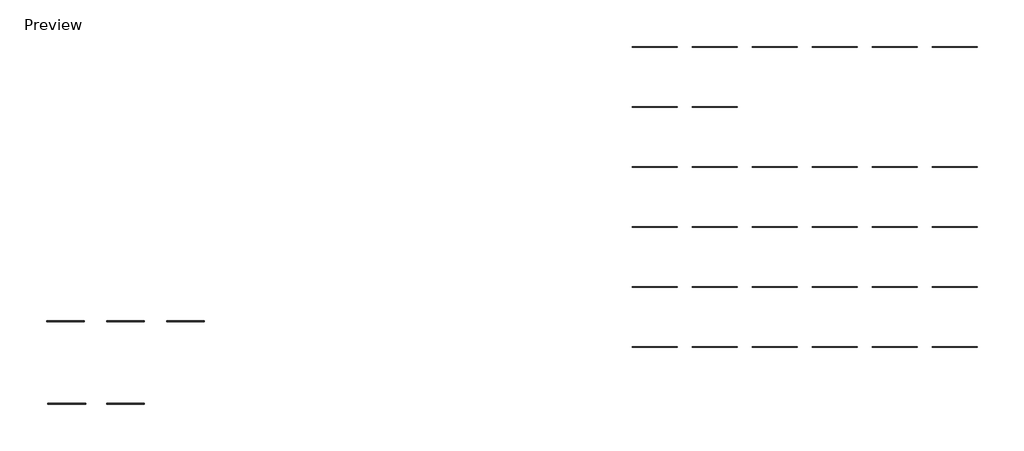
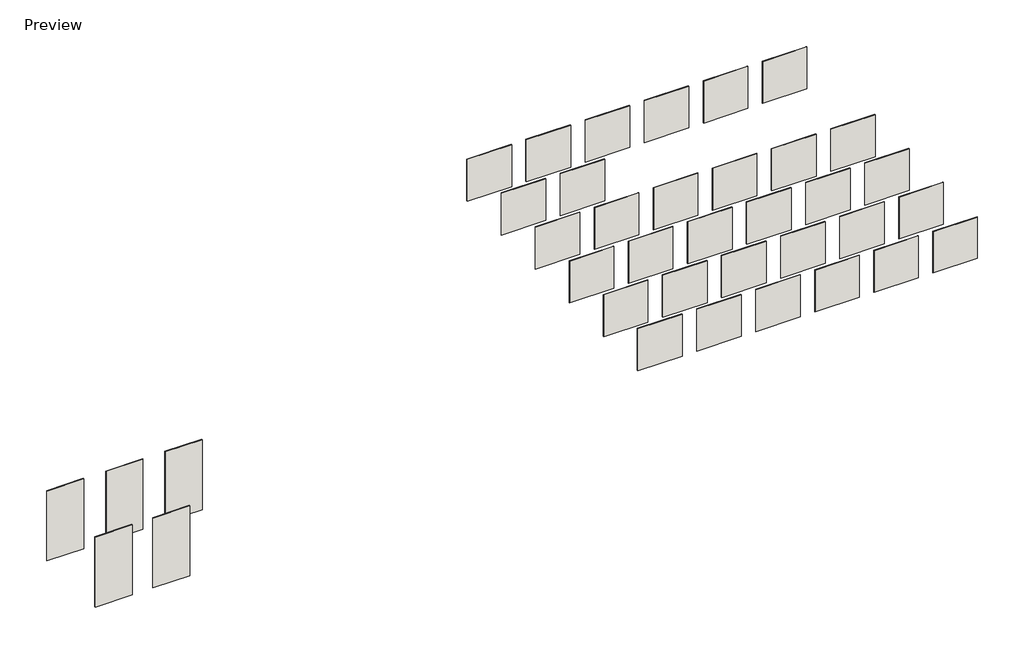
# One storey: 37 walls.
"""IFC4 building model written with IfcOpenShell, lengths in millimetres."""

from ifc_helpers import new_model, si_unit, frame, origin, origin_with_axes, place, context, project, spatial, polyline, outline, extrude, element, save

model = new_model("IFC4")

# Units and contexts
model_context = context("Model", 3, world=origin())
ifc_project = project(units=[si_unit("LENGTHUNIT", "METRE", prefix="MILLI")], contexts=[model_context])

# Site, building, storey
site = spatial("IfcSite", under=ifc_project)
building = spatial("IfcBuilding", under=site)
storey = spatial("IfcBuildingStorey", under=building, Name="Preview", Elevation=0.0)

# Walls
placement = place(None, origin())
element("IfcWall", 1, at=placement, inside=storey, context=model_context, shape_type="SweptSolid", body=[
    extrude(outline(polyline([(-18839.3718391, 8535.7201131), (-20668.1718391, 8535.7201131), (-20668.1718391, 8559.5326131), (-18839.3718391, 8559.5326131), (-18839.3718391, 8535.7201131)])), origin_with_axes(), (0.0, 0.0, 1.0), 1828.8),
])
element("IfcWall", 2, at=placement, inside=storey, context=model_context, shape_type="SweptSolid", body=[
    extrude(outline(polyline([(-16400.9718391, 8535.7201131), (-18229.7718391, 8535.7201131), (-18229.7718391, 8559.5326131), (-16400.9718391, 8559.5326131), (-16400.9718391, 8535.7201131)])), origin_with_axes(), (0.0, 0.0, 1.0), 1828.8),
])
element("IfcWall", 3, at=placement, inside=storey, context=model_context, shape_type="SweptSolid", body=[
    extrude(outline(polyline([(-13962.5718391, 8535.7201131), (-15791.3718391, 8535.7201131), (-15791.3718391, 8559.5326131), (-13962.5718391, 8559.5326131), (-13962.5718391, 8535.7201131)])), origin_with_axes(), (0.0, 0.0, 1.0), 1828.8),
])
element("IfcWall", 4, at=placement, inside=storey, context=model_context, shape_type="SweptSolid", body=[
    extrude(outline(polyline([(-11524.1718391, 8535.7201131), (-13352.9718391, 8535.7201131), (-13352.9718391, 8559.5326131), (-11524.1718391, 8559.5326131), (-11524.1718391, 8535.7201131)])), origin_with_axes(), (0.0, 0.0, 1.0), 1828.8),
])
element("IfcWall", 5, at=placement, inside=storey, context=model_context, shape_type="SweptSolid", body=[
    extrude(outline(polyline([(-9085.7718391, 8535.7201131), (-10914.5718391, 8535.7201131), (-10914.5718391, 8559.5326131), (-9085.7718391, 8559.5326131), (-9085.7718391, 8535.7201131)])), origin_with_axes(), (0.0, 0.0, 1.0), 1828.8),
])
element("IfcWall", 6, at=placement, inside=storey, context=model_context, shape_type="SweptSolid", body=[
    extrude(outline(polyline([(-6647.3718391, 8535.7201131), (-8476.1718391, 8535.7201131), (-8476.1718391, 8559.5326131), (-6647.3718391, 8559.5326131), (-6647.3718391, 8535.7201131)])), origin_with_axes(), (0.0, 0.0, 1.0), 1828.8),
])
element("IfcWall", 7, at=placement, inside=storey, context=model_context, shape_type="SweptSolid", body=[
    extrude(outline(polyline([(-18839.3718391, 6097.3201131), (-20668.1718391, 6097.3201131), (-20668.1718391, 6121.1326131), (-18839.3718391, 6121.1326131), (-18839.3718391, 6097.3201131)])), origin_with_axes(), (0.0, 0.0, 1.0), 1828.8),
])
element("IfcWall", 8, at=placement, inside=storey, context=model_context, shape_type="SweptSolid", body=[
    extrude(outline(polyline([(-16400.9718391, 6097.3201131), (-18229.7718391, 6097.3201131), (-18229.7718391, 6121.1326131), (-16400.9718391, 6121.1326131), (-16400.9718391, 6097.3201131)])), origin_with_axes(), (0.0, 0.0, 1.0), 1828.8),
])
element("IfcWall", 9, at=placement, inside=storey, context=model_context, shape_type="SweptSolid", body=[
    extrude(outline(polyline([(-13962.5718391, 6097.3201131), (-15791.3718391, 6097.3201131), (-15791.3718391, 6121.1326131), (-13962.5718391, 6121.1326131), (-13962.5718391, 6097.3201131)])), origin_with_axes(), (0.0, 0.0, 1.0), 1828.8),
])
element("IfcWall", 10, at=placement, inside=storey, context=model_context, shape_type="SweptSolid", body=[
    extrude(outline(polyline([(-11524.1718391, 6097.3201131), (-13352.9718391, 6097.3201131), (-13352.9718391, 6121.1326131), (-11524.1718391, 6121.1326131), (-11524.1718391, 6097.3201131)])), origin_with_axes(), (0.0, 0.0, 1.0), 1828.8),
])
element("IfcWall", 11, at=placement, inside=storey, context=model_context, shape_type="SweptSolid", body=[
    extrude(outline(polyline([(-9085.7718391, 6097.3201131), (-10914.5718391, 6097.3201131), (-10914.5718391, 6121.1326131), (-9085.7718391, 6121.1326131), (-9085.7718391, 6097.3201131)])), origin_with_axes(), (0.0, 0.0, 1.0), 1828.8),
])
element("IfcWall", 12, at=placement, inside=storey, context=model_context, shape_type="SweptSolid", body=[
    extrude(outline(polyline([(-6647.3718391, 6097.3201131), (-8476.1718391, 6097.3201131), (-8476.1718391, 6121.1326131), (-6647.3718391, 6121.1326131), (-6647.3718391, 6097.3201131)])), origin_with_axes(), (0.0, 0.0, 1.0), 1793.6354952),
])
element("IfcWall", 13, at=placement, inside=storey, context=model_context, shape_type="SweptSolid", body=[
    extrude(outline(polyline([(-18839.3718391, 10974.1201131), (-20668.1718391, 10974.1201131), (-20668.1718391, 10997.9326131), (-18839.3718391, 10997.9326131), (-18839.3718391, 10974.1201131)])), origin_with_axes(), (0.0, 0.0, 1.0), 1828.8),
])
element("IfcWall", 14, at=placement, inside=storey, context=model_context, shape_type="SweptSolid", body=[
    extrude(outline(polyline([(-16400.9718391, 10974.1201131), (-18229.7718391, 10974.1201131), (-18229.7718391, 10997.9326131), (-16400.9718391, 10997.9326131), (-16400.9718391, 10974.1201131)])), origin_with_axes(), (0.0, 0.0, 1.0), 1828.8),
])
element("IfcWall", 15, at=placement, inside=storey, context=model_context, shape_type="SweptSolid", body=[
    extrude(outline(polyline([(-13962.5718391, 10974.1201131), (-15791.3718391, 10974.1201131), (-15791.3718391, 10997.9326131), (-13962.5718391, 10997.9326131), (-13962.5718391, 10974.1201131)])), origin_with_axes(), (0.0, 0.0, 1.0), 1828.8),
])
element("IfcWall", 16, at=placement, inside=storey, context=model_context, shape_type="SweptSolid", body=[
    extrude(outline(polyline([(-11524.1718391, 10974.1201131), (-13352.9718391, 10974.1201131), (-13352.9718391, 10997.9326131), (-11524.1718391, 10997.9326131), (-11524.1718391, 10974.1201131)])), origin_with_axes(), (0.0, 0.0, 1.0), 1828.8),
])
element("IfcWall", 17, at=placement, inside=storey, context=model_context, shape_type="SweptSolid", body=[
    extrude(outline(polyline([(-9085.7718391, 10974.1201131), (-10914.5718391, 10974.1201131), (-10914.5718391, 10997.9326131), (-9085.7718391, 10997.9326131), (-9085.7718391, 10974.1201131)])), origin_with_axes(), (0.0, 0.0, 1.0), 1828.8),
])
element("IfcWall", 18, at=placement, inside=storey, context=model_context, shape_type="SweptSolid", body=[
    extrude(outline(polyline([(-6647.3718391, 10974.1201131), (-8476.1718391, 10974.1201131), (-8476.1718391, 10997.9326131), (-6647.3718391, 10997.9326131), (-6647.3718391, 10974.1201131)])), origin_with_axes(), (0.0, 0.0, 1.0), 1828.8),
])
element("IfcWall", 19, at=placement, inside=storey, context=model_context, shape_type="SweptSolid", body=[
    extrude(outline(polyline([(-18839.3718391, 13412.5201131), (-20668.1718391, 13412.5201131), (-20668.1718391, 13436.3326131), (-18839.3718391, 13436.3326131), (-18839.3718391, 13412.5201131)])), origin_with_axes(), (0.0, 0.0, 1.0), 1828.8),
])
element("IfcWall", 20, at=placement, inside=storey, context=model_context, shape_type="SweptSolid", body=[
    extrude(outline(polyline([(-16400.9718391, 13412.5201131), (-18229.7718391, 13412.5201131), (-18229.7718391, 13436.3326131), (-16400.9718391, 13436.3326131), (-16400.9718391, 13412.5201131)])), origin_with_axes(), (0.0, 0.0, 1.0), 1828.8),
])
element("IfcWall", 21, at=placement, inside=storey, context=model_context, shape_type="SweptSolid", body=[
    extrude(outline(polyline([(-13962.5718391, 13412.5201131), (-15791.3718391, 13412.5201131), (-15791.3718391, 13436.3326131), (-13962.5718391, 13436.3326131), (-13962.5718391, 13412.5201131)])), origin_with_axes(), (0.0, 0.0, 1.0), 1828.8),
])
element("IfcWall", 22, at=placement, inside=storey, context=model_context, shape_type="SweptSolid", body=[
    extrude(outline(polyline([(-11524.1718391, 13412.5201131), (-13352.9718391, 13412.5201131), (-13352.9718391, 13436.3326131), (-11524.1718391, 13436.3326131), (-11524.1718391, 13412.5201131)])), frame((0.0, 0.0, -5.2424975), z_axis=(0.0, 0.0, 1.0), x_axis=(1.0, 0.0, 0.0)), (0.0, 0.0, 1.0), 1834.0424975),
])
element("IfcWall", 23, at=placement, inside=storey, context=model_context, shape_type="SweptSolid", body=[
    extrude(outline(polyline([(-9085.7718391, 13412.5201131), (-10914.5718391, 13412.5201131), (-10914.5718391, 13436.3326131), (-9085.7718391, 13436.3326131), (-9085.7718391, 13412.5201131)])), origin_with_axes(), (0.0, 0.0, 1.0), 1828.8),
])
element("IfcWall", 24, at=placement, inside=storey, context=model_context, shape_type="SweptSolid", body=[
    extrude(outline(polyline([(-6647.3718391, 13412.5201131), (-8476.1718391, 13412.5201131), (-8476.1718391, 13436.3326131), (-6647.3718391, 13436.3326131), (-6647.3718391, 13412.5201131)])), origin_with_axes(), (0.0, 0.0, 1.0), 1828.8),
])
element("IfcWall", 25, at=placement, inside=storey, context=model_context, shape_type="SweptSolid", body=[
    extrude(outline(polyline([(-18839.3718391, 15850.9201131), (-20668.1718391, 15850.9201131), (-20668.1718391, 15874.7326131), (-18839.3718391, 15874.7326131), (-18839.3718391, 15850.9201131)])), origin_with_axes(), (0.0, 0.0, 1.0), 1828.8),
])
element("IfcWall", 26, at=placement, inside=storey, context=model_context, shape_type="SweptSolid", body=[
    extrude(outline(polyline([(-16400.9718391, 15850.9201131), (-18229.7718391, 15850.9201131), (-18229.7718391, 15874.7326131), (-16400.9718391, 15874.7326131), (-16400.9718391, 15850.9201131)])), origin_with_axes(), (0.0, 0.0, 1.0), 1828.8),
])
element("IfcWall", 27, at=placement, inside=storey, context=model_context, shape_type="SweptSolid", body=[
    extrude(outline(polyline([(-13962.5718391, 18289.3201131), (-15791.3718391, 18289.3201131), (-15791.3718391, 18313.1326131), (-13962.5718391, 18313.1326131), (-13962.5718391, 18289.3201131)])), origin_with_axes(), (0.0, 0.0, 1.0), 1828.8),
])
element("IfcWall", 28, at=placement, inside=storey, context=model_context, shape_type="SweptSolid", body=[
    extrude(outline(polyline([(-11524.1718391, 18289.3201131), (-13352.9718391, 18289.3201131), (-13352.9718391, 18313.1326131), (-11524.1718391, 18313.1326131), (-11524.1718391, 18289.3201131)])), origin_with_axes(), (0.0, 0.0, 1.0), 1828.8),
])
element("IfcWall", 29, at=placement, inside=storey, context=model_context, shape_type="SweptSolid", body=[
    extrude(outline(polyline([(-9085.7718391, 18289.3201131), (-10914.5718391, 18289.3201131), (-10914.5718391, 18313.1326131), (-9085.7718391, 18313.1326131), (-9085.7718391, 18289.3201131)])), origin_with_axes(), (0.0, 0.0, 1.0), 1828.8),
])
element("IfcWall", 30, at=placement, inside=storey, context=model_context, shape_type="SweptSolid", body=[
    extrude(outline(polyline([(-18839.3718391, 18289.3201131), (-20668.1718391, 18289.3201131), (-20668.1718391, 18313.1326131), (-18839.3718391, 18313.1326131), (-18839.3718391, 18289.3201131)])), origin_with_axes(), (0.0, 0.0, 1.0), 1828.8),
])
element("IfcWall", 31, at=placement, inside=storey, context=model_context, shape_type="SweptSolid", body=[
    extrude(outline(polyline([(-16400.9718391, 18289.3201131), (-18229.7718391, 18289.3201131), (-18229.7718391, 18313.1326131), (-16400.9718391, 18313.1326131), (-16400.9718391, 18289.3201131)])), origin_with_axes(), (0.0, 0.0, 1.0), 1828.8),
])
element("IfcWall", 32, at=placement, inside=storey, context=model_context, shape_type="SweptSolid", body=[
    extrude(outline(polyline([(-6647.3718391, 18289.3201131), (-8476.1718391, 18289.3201131), (-8476.1718391, 18313.1326131), (-6647.3718391, 18313.1326131), (-6647.3718391, 18289.3201131)])), origin_with_axes(), (0.0, 0.0, 1.0), 1828.8),
])
element("IfcWall", 33, ObjectType="MPH127", at=placement, inside=storey, context=model_context, shape_type="SweptSolid", body=[
    extrude(outline(polyline([(-42926.3434283, 7144.8522839), (-44450.3434283, 7144.8522839), (-44450.3434283, 7176.6022839), (-42926.3434283, 7176.6022839), (-42926.3434283, 7144.8522839)])), frame((0.0, 0.0, -609.6), z_axis=(0.0, 0.0, 1.0), x_axis=(1.0, 0.0, 0.0)), (0.0, 0.0, 1.0), 3048.0),
])
element("IfcWall", 34, ObjectType="MPH129", at=placement, inside=storey, context=model_context, shape_type="SweptSolid", body=[
    extrude(outline(polyline([(-40487.9434283, 7144.8522839), (-42011.9434283, 7144.8522839), (-42011.9434283, 7176.6022839), (-40487.9434283, 7176.6022839), (-40487.9434283, 7144.8522839)])), frame((0.0, 0.0, -609.6), z_axis=(0.0, 0.0, 1.0), x_axis=(1.0, 0.0, 0.0)), (0.0, 0.0, 1.0), 3048.0),
])
element("IfcWall", 35, ObjectType="MPH167", at=placement, inside=storey, context=model_context, shape_type="SweptSolid", body=[
    extrude(outline(polyline([(-38049.5434283, 7144.8522839), (-39573.5434283, 7144.8522839), (-39573.5434283, 7176.6022839), (-38049.5434283, 7176.6022839), (-38049.5434283, 7144.8522839)])), frame((0.0, 0.0, -609.6), z_axis=(0.0, 0.0, 1.0), x_axis=(1.0, 0.0, 0.0)), (0.0, 0.0, 1.0), 3048.0),
])
element("IfcWall", 36, ObjectType="MPV127", at=placement, inside=storey, context=model_context, shape_type="SweptSolid", body=[
    extrude(outline(polyline([(-42868.2176525, 3792.0522839), (-44392.2176525, 3792.0522839), (-44392.2176525, 3823.8022839), (-42868.2176525, 3823.8022839), (-42868.2176525, 3792.0522839)])), frame((0.0, 0.0, -609.6), z_axis=(0.0, 0.0, 1.0), x_axis=(1.0, 0.0, 0.0)), (0.0, 0.0, 1.0), 3048.0),
])
element("IfcWall", 37, ObjectType="MPV167", at=placement, inside=storey, context=model_context, shape_type="SweptSolid", body=[
    extrude(outline(polyline([(-40487.9434283, 3792.0522839), (-42011.9434283, 3792.0522839), (-42011.9434283, 3823.8022839), (-40487.9434283, 3823.8022839), (-40487.9434283, 3792.0522839)])), frame((0.0, 0.0, -609.6), z_axis=(0.0, 0.0, 1.0), x_axis=(1.0, 0.0, 0.0)), (0.0, 0.0, 1.0), 3048.0),
])

save(model, "model.ifc")
